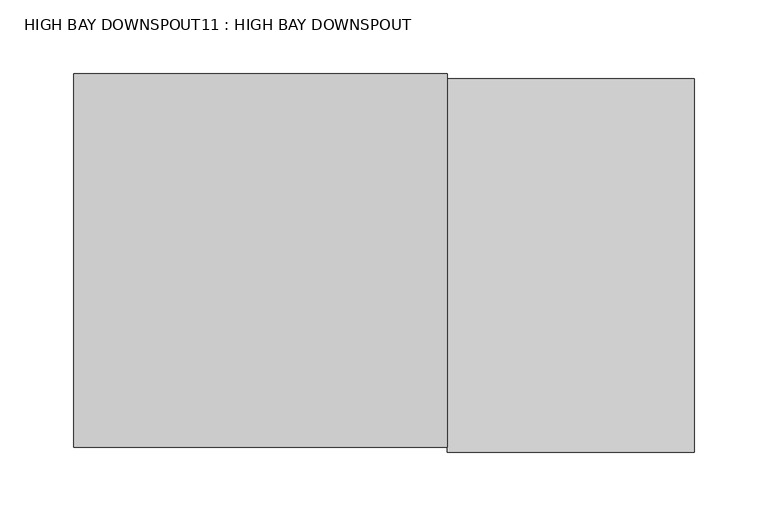
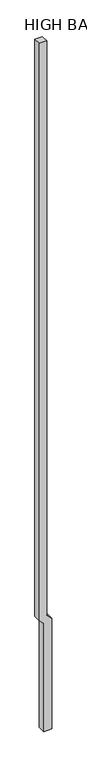
"""IFC4 building model written with IfcOpenShell, lengths in millimetres: proxy geometry, HIGH BAY DOWNSPOUT11 : HIGH BAY DOWNSPOUT."""

from ifc_helpers import new_model, si_unit, frame, origin, place, context, project, spatial, polyline, outline, extrude, source, transform, mapped, element, save


def high_bay_downspout11_high_bay_downspout_ff0eb1a3(model_context):
    return source(origin(), model_context, "Body", "SweptSolid", [
        extrude(outline(polyline([(3810.0, 448356.4273809), (3657.6, 448508.8273809), (-203.2, 448508.8273809), (-203.2, 448778.7023809), (3746.9352448, 448778.7023809), (3915.2102448, 448610.4273809), (24408.9887487, 448610.4273809), (24408.9887487, 448356.4273809), (3810.0, 448356.4273809)])), frame((0.0, 14498.7132308, 0.0), z_axis=(0.0, 1.0, 0.0), x_axis=(0.0, 0.0, 1.0)), (0.0, 0.0, 1.0), 254.0),
    ])


if __name__ == "__main__":
    model = new_model("IFC4")
    model_context = context("Model", 3, world=origin())
    ifc_project = project(units=[si_unit("LENGTHUNIT", "METRE", prefix="MILLI")], contexts=[model_context])
    site = spatial("IfcSite", under=ifc_project)
    building = spatial("IfcBuilding", under=site)
    placement = place(None, origin())
    high_bay_downspout11_high_bay_downspout_shape = high_bay_downspout11_high_bay_downspout_ff0eb1a3(model_context)
    element("IfcBuildingElementProxy", 1, Name="HIGH BAY DOWNSPOUT11 : HIGH BAY DOWNSPOUT", ObjectType="HIGH BAY DOWNSPOUT11 : HIGH BAY DOWNSPOUT", at=placement, inside=building, context=model_context, shape_type="MappedRepresentation", body=[
        mapped(high_bay_downspout11_high_bay_downspout_shape, transform((0.0, 0.0, 0.0), x_axis=(1.0, 0.0, 0.0), y_axis=(0.0, 1.0, 0.0), z_axis=(0.0, 0.0, 1.0))),
    ])
    save(model, "model.ifc")
